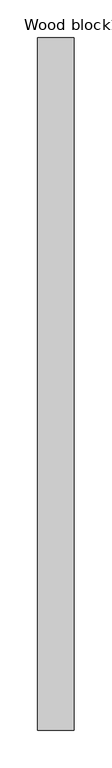
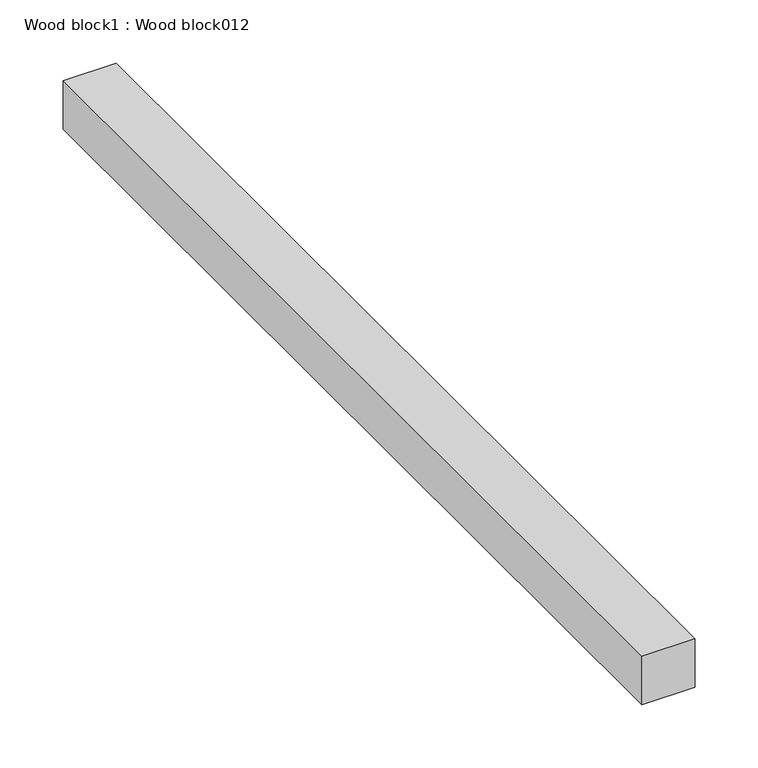
"""IFC4 building model written with IfcOpenShell, lengths in millimetres: proxy geometry, Wood block1 : Wood block012."""

from ifc_helpers import new_model, si_unit, frame, origin, place, context, project, spatial, polyline, outline, extrude, source, transform, mapped, element, save


def wood_block1_wood_block012_b8429570(model_context):
    return source(origin(), model_context, "Body", "SweptSolid", [
        extrude(outline(polyline([(37601.4921875, -18662.4264268), (37649.541546, -18662.4264268), (37649.541546, -19576.8264268), (37601.4921875, -19576.8264268), (37601.4921875, -18662.4264268)])), frame((0.0, 0.0, 2963.0442491), z_axis=(0.0, 0.0, 1.0), x_axis=(1.0, 0.0, 0.0)), (0.0, 0.0, 1.0), 46.8557509),
    ])


if __name__ == "__main__":
    model = new_model("IFC4")
    model_context = context("Model", 3, world=origin())
    ifc_project = project(units=[si_unit("LENGTHUNIT", "METRE", prefix="MILLI")], contexts=[model_context])
    site = spatial("IfcSite", under=ifc_project)
    building = spatial("IfcBuilding", under=site)
    placement = place(None, origin())
    wood_block1_wood_block012_shape = wood_block1_wood_block012_b8429570(model_context)
    element("IfcBuildingElementProxy", 1, Name="Wood block1 : Wood block012", ObjectType="Wood block1 : Wood block012", at=placement, inside=building, context=model_context, shape_type="MappedRepresentation", body=[
        mapped(wood_block1_wood_block012_shape, transform((0.0, 0.0, 0.0), x_axis=(1.0, 0.0, 0.0), y_axis=(0.0, 1.0, 0.0), z_axis=(0.0, 0.0, 1.0))),
    ])
    save(model, "model.ifc")
